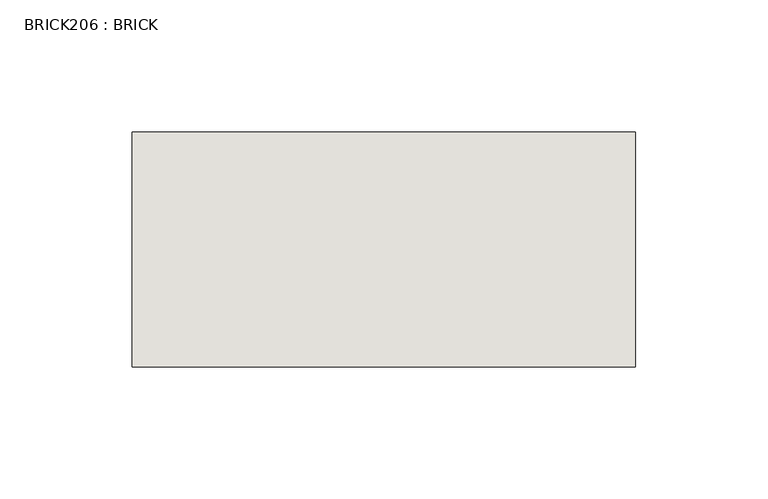
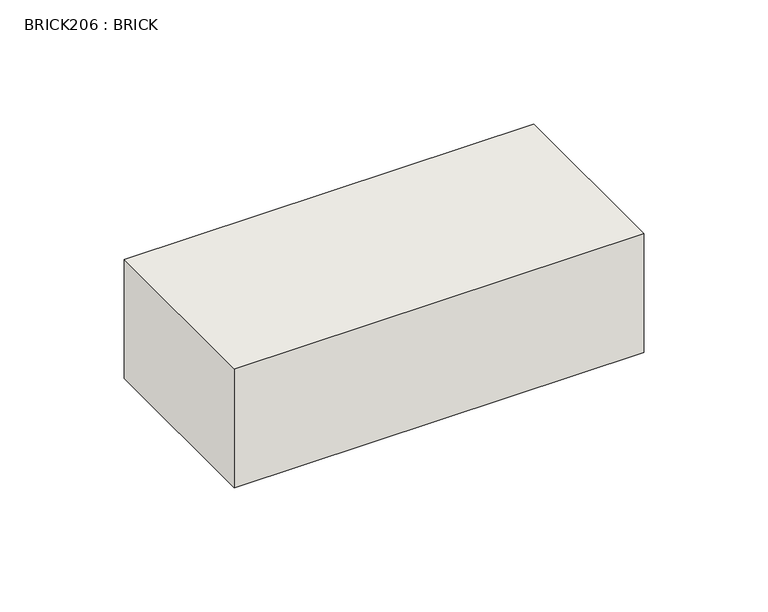
"""IFC4 building model written with IfcOpenShell, lengths in millimetres: wall geometry, BRICK206 : BRICK."""

from ifc_helpers import new_model, si_unit, frame, origin, place, context, project, spatial, polyline, outline, extrude, source, transform, mapped, element, save


def brick206_brick_46ec7261(model_context):
    return source(origin(), model_context, "Body", "SweptSolid", [
        extrude(outline(polyline([(-871.4574357, 3062.3923312), (-680.9574357, 3062.3923312), (-680.9574357, 2973.4923312), (-871.4574357, 2973.4923312), (-871.4574357, 3062.3923312)])), frame((0.0, 0.0, 283.5671875), z_axis=(0.0, 0.0, 1.0), x_axis=(1.0, 0.0, 0.0)), (0.0, 0.0, 1.0), 58.4398437),
    ])


if __name__ == "__main__":
    model = new_model("IFC4")
    model_context = context("Model", 3, world=origin())
    ifc_project = project(units=[si_unit("LENGTHUNIT", "METRE", prefix="MILLI")], contexts=[model_context])
    site = spatial("IfcSite", under=ifc_project)
    building = spatial("IfcBuilding", under=site)
    placement = place(None, origin())
    brick206_brick_shape = brick206_brick_46ec7261(model_context)
    element("IfcWall", 1, ObjectType="BRICK206 : BRICK", at=placement, inside=building, context=model_context, shape_type="MappedRepresentation", body=[
        mapped(brick206_brick_shape, transform((0.0, 0.0, 0.0), x_axis=(1.0, 0.0, 0.0), y_axis=(0.0, 1.0, 0.0), z_axis=(0.0, 0.0, 1.0))),
    ])
    save(model, "model.ifc")
